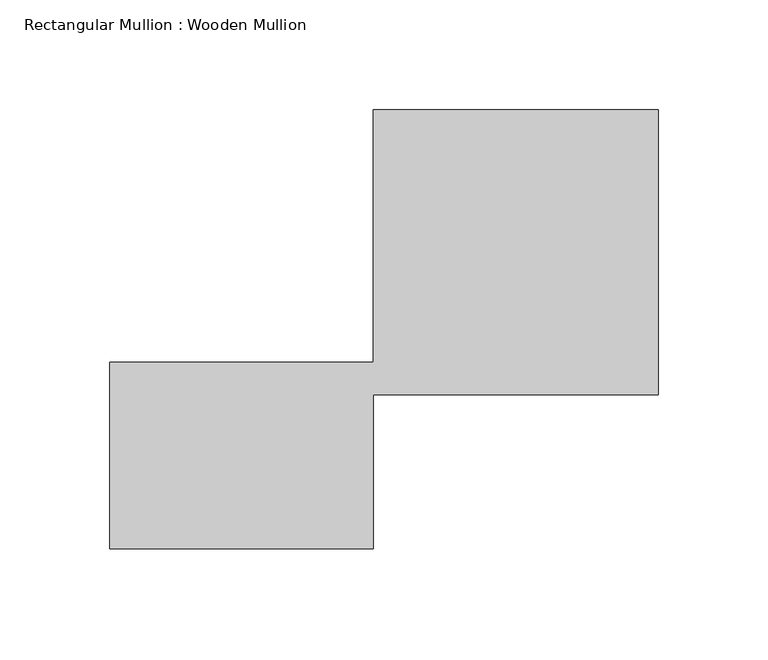
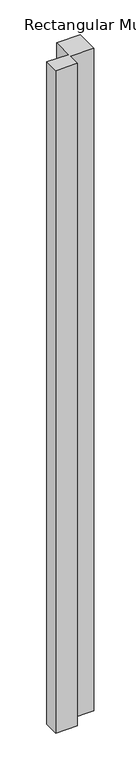
"""IFC4 building model written with IfcOpenShell, lengths in millimetres: member geometry, Rectangular Mullion : Wooden Mullion."""

import ifcopenshell
import ifcopenshell.guid

model = None  # the IFC model being written
_history = None  # IfcOwnerHistory: only IFC2X3 demands one
_inside = {}  # id of a spatial element -> (the spatial element, [elements in it])
_under = {}  # id of a project, library or spatial element -> (it, [spatial elements below it])
_declared = {}  # id of a project -> (the project, [libraries it declares])
_typed = {}  # id of a type object -> (the type object, [elements of that type])
_made_of = {}  # id of a material, layer set ... -> (it, [elements and type objects made of it])


def new_model(schema):
    """Start an empty IFC model of exactly this schema.

    Asked for "IFC4X3", IfcOpenShell would pick the latest addendum, in which some entities
    have other attributes; the version numbers below select the first issue.
    IFC2X3 requires an IfcOwnerHistory on every rooted entity: one is made here for all.
    """
    global model, _history
    if schema == "IFC4X3":
        model = ifcopenshell.file(schema_version=(4, 3, 0, 0))
    else:
        model = ifcopenshell.file(schema=schema)
    _inside.clear()
    _under.clear()
    _declared.clear()
    _typed.clear()
    _made_of.clear()
    _history = None
    if model.schema == "IFC2X3":
        org = make("IfcOrganization", Name="unknown")
        user = make(
            "IfcPersonAndOrganization",
            ThePerson=make("IfcPerson", FamilyName="unknown"),
            TheOrganization=org,
        )
        app = make(
            "IfcApplication",
            ApplicationDeveloper=org,
            Version="unknown",
            ApplicationFullName="unknown",
            ApplicationIdentifier="unknown",
        )
        _history = make(
            "IfcOwnerHistory",
            OwningUser=user,
            OwningApplication=app,
            ChangeAction="ADDED",
            CreationDate=0,
        )
    return model


def make(cls, **values):
    """One entity of the class cls with the attributes given. An attribute that is None is left unset."""
    return model.create_entity(
        cls, **{name: value for name, value in values.items() if value is not None}
    )


def rooted(cls, **values):
    """An entity with a GlobalId (a new one), such as an element, a storey or a relation."""
    return make(cls, GlobalId=ifcopenshell.guid.new(), OwnerHistory=_history, **values)


def si_unit(unit_type, name, prefix=None):
    """IfcSIUnit, for example si_unit("LENGTHUNIT", "METRE", prefix="MILLI")."""
    return make("IfcSIUnit", UnitType=unit_type, Prefix=prefix, Name=name)


def assignment(units):
    """IfcUnitAssignment: the units of a project."""
    return None if units is None else make("IfcUnitAssignment", Units=units)


def point(xyz):
    """IfcCartesianPoint."""
    return None if xyz is None else make("IfcCartesianPoint", Coordinates=xyz)


def direction(xyz):
    """IfcDirection."""
    return None if xyz is None else make("IfcDirection", DirectionRatios=xyz)


def frame(location, z_axis=None, x_axis=None):
    """IfcAxis2Placement3D, a coordinate frame: its origin and axes. An axis left out is left unset."""
    return make(
        "IfcAxis2Placement3D",
        Location=point(location),
        Axis=direction(z_axis),
        RefDirection=direction(x_axis),
    )


def origin():
    """The frame at (0, 0, 0) with its axes left unset."""
    return frame((0.0, 0.0, 0.0))


def place(relative_to, where):
    """IfcLocalPlacement: puts the frame where relative to a parent placement (None: the world)."""
    return make(
        "IfcLocalPlacement", PlacementRelTo=relative_to, RelativePlacement=where
    )


def context(
    kind, dimensions, precision=None, world=None, true_north=None, identifier=None
):
    """IfcGeometricRepresentationContext, for example the 3D "Model" context."""
    return make(
        "IfcGeometricRepresentationContext",
        ContextIdentifier=identifier,
        ContextType=kind,
        CoordinateSpaceDimension=dimensions,
        Precision=precision,
        WorldCoordinateSystem=world,
        TrueNorth=true_north,
    )


def project(units=None, contexts=None):
    """IfcProject with its units and contexts."""
    return rooted(
        "IfcProject",
        Name="project",
        RepresentationContexts=contexts,
        UnitsInContext=assignment(units),
    )


def spatial(cls, under=None, at=None, **own):
    """A site, building, storey or space (cls), placed at a placement, below another one or the project."""
    s = rooted(cls, ObjectPlacement=at, **own)
    if under is not None:
        _under.setdefault(under.id(), (under, []))[1].append(s)
    return s


def polyline(points):
    """IfcPolyline through the points."""
    return make("IfcPolyline", Points=[point(p) for p in points])


def outline(outer, holes=None, kind="AREA"):
    """IfcArbitraryClosedProfileDef: a profile drawn as a closed curve; with holes, ...WithVoids."""
    if holes is None:
        return make("IfcArbitraryClosedProfileDef", ProfileType=kind, OuterCurve=outer)
    return make(
        "IfcArbitraryProfileDefWithVoids",
        ProfileType=kind,
        OuterCurve=outer,
        InnerCurves=holes,
    )


def extrude(swept, where, along, depth):
    """IfcExtrudedAreaSolid: the profile swept, set in the frame where, extruded along a direction by depth."""
    return make(
        "IfcExtrudedAreaSolid",
        SweptArea=swept,
        Position=where,
        ExtrudedDirection=direction(along),
        Depth=depth,
    )


def shape(context_of_items, identifier, shape_type, items):
    """IfcShapeRepresentation: the items that make up one representation, for example the "Body"."""
    return make(
        "IfcShapeRepresentation",
        ContextOfItems=context_of_items,
        RepresentationIdentifier=identifier,
        RepresentationType=shape_type,
        Items=items,
    )


def source(mapping_origin, context_of_items, identifier, shape_type, items):
    """IfcRepresentationMap: a shape defined once, which mapped items show again and again."""
    return make(
        "IfcRepresentationMap",
        MappingOrigin=mapping_origin,
        MappedRepresentation=shape(context_of_items, identifier, shape_type, items),
    )


def transform(
    local_origin,
    x_axis=None,
    y_axis=None,
    z_axis=None,
    scale=None,
    scale2=None,
    scale3=None,
    uniform=True,
):
    """IfcCartesianTransformationOperator3D, or its non-uniform kind. x_axis, y_axis, z_axis: its Axis1, 2, 3."""
    if uniform:
        return make(
            "IfcCartesianTransformationOperator3D",
            Axis1=direction(x_axis),
            Axis2=direction(y_axis),
            LocalOrigin=point(local_origin),
            Scale=scale,
            Axis3=direction(z_axis),
        )
    return make(
        "IfcCartesianTransformationOperator3DnonUniform",
        Axis1=direction(x_axis),
        Axis2=direction(y_axis),
        LocalOrigin=point(local_origin),
        Scale=scale,
        Axis3=direction(z_axis),
        Scale2=scale2,
        Scale3=scale3,
    )


def mapped(mapping_source, mapping_target):
    """IfcMappedItem: shows the shape of a source again, moved by a transform."""
    return make(
        "IfcMappedItem", MappingSource=mapping_source, MappingTarget=mapping_target
    )


def made_of(thing, what):
    """Note that an element or type object is made of a material, layer set ...; save() writes the relation."""
    if what is not None:
        _made_of.setdefault(what.id(), (what, []))[1].append(thing)
    return thing


def element(
    cls,
    number,
    at=None,
    inside=None,
    cuts=None,
    type_object=None,
    material=None,
    context=None,
    identifier="Body",
    shape_type=None,
    held_by="IfcProductDefinitionShape",
    body=None,
    shapes=None,
    **own,
):
    """One element of the class cls, such as IfcWall. Its Tag is "e" and its number.

    at: its placement. inside: the storey or other place that contains it. cuts: it is an
    opening in that element (IfcRelVoidsElement). A single representation is given by context,
    identifier, shape_type and body (its items); several are given by shapes. held_by: the class
    of the entity that holds the representations. save() writes the other relations.
    """
    e = rooted(cls, Tag="e%d" % number, ObjectPlacement=at, **own)
    if body is not None:
        shapes = [shape(context, identifier, shape_type, body)]
    if shapes is not None:
        e.Representation = make(held_by, Representations=shapes)
    if inside is not None:
        _inside.setdefault(inside.id(), (inside, []))[1].append(e)
    if cuts is not None:
        rooted(
            "IfcRelVoidsElement", RelatingBuildingElement=cuts, RelatedOpeningElement=e
        )
    if type_object is not None:
        _typed.setdefault(type_object.id(), (type_object, []))[1].append(e)
    return made_of(e, material)


def aggregate(whole, parts):
    """IfcRelAggregates: a whole, such as a stair, and the parts it consists of."""
    return rooted("IfcRelAggregates", RelatingObject=whole, RelatedObjects=parts)


def save(model, path):
    """Write the relations noted so far, then the file.

    IfcRelAggregates (storeys below a building ...), IfcRelContainedInSpatialStructure (elements
    in a storey), IfcRelDefinesByType, IfcRelAssociatesMaterial and IfcRelDeclares: one each for
    every whole, place, type object, material and project.
    """
    for whole, parts in _under.values():
        aggregate(whole, parts)
    for where, things in _inside.values():
        rooted(
            "IfcRelContainedInSpatialStructure",
            RelatedElements=things,
            RelatingStructure=where,
        )
    for kind, things in _typed.values():
        rooted("IfcRelDefinesByType", RelatedObjects=things, RelatingType=kind)
    for what, things in _made_of.values():
        rooted("IfcRelAssociatesMaterial", RelatedObjects=things, RelatingMaterial=what)
    for by, libraries in _declared.values():
        rooted("IfcRelDeclares", RelatingContext=by, RelatedDefinitions=libraries)
    model.write(path)


def rectangular_mullion_wooden_mullion_ebea666d(model_context):
    return source(origin(), model_context, "Body", "SweptSolid", [
        extrude(outline(polyline([(74.8100006, -26.0137344), (-45.1899994, -26.0137344), (-45.1899994, 58.9862656), (74.8100006, 58.9862656), (74.8100006, 173.9862656), (204.8100006, 173.9862656), (204.8100006, 43.9862656), (74.8100006, 43.9862656), (74.8100006, -26.0137344)])), frame((0.0, 0.0, -3875.4454782), z_axis=(0.0, 0.0, 1.0), x_axis=(1.0, 0.0, 0.0)), (0.0, 0.0, 1.0), 3875.4454782),
    ])


if __name__ == "__main__":
    model = new_model("IFC4")
    model_context = context("Model", 3, world=origin())
    ifc_project = project(units=[si_unit("LENGTHUNIT", "METRE", prefix="MILLI")], contexts=[model_context])
    site = spatial("IfcSite", under=ifc_project)
    building = spatial("IfcBuilding", under=site)
    placement = place(None, origin())
    rectangular_mullion_wooden_mullion_shape = rectangular_mullion_wooden_mullion_ebea666d(model_context)
    element("IfcMember", 1, ObjectType="Rectangular Mullion : Wooden Mullion", at=placement, inside=building, context=model_context, shape_type="MappedRepresentation", body=[
        mapped(rectangular_mullion_wooden_mullion_shape, transform((0.0, 0.0, 0.0), x_axis=(1.0, 0.0, 0.0), y_axis=(0.0, 1.0, 0.0), z_axis=(0.0, 0.0, 1.0))),
    ])
    save(model, "model.ifc")
